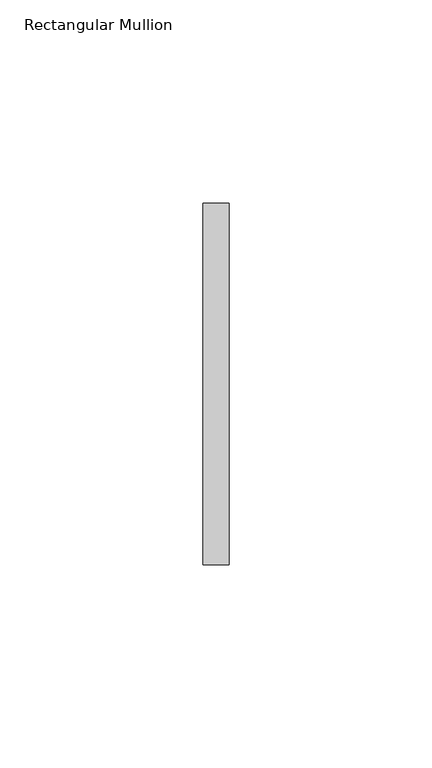
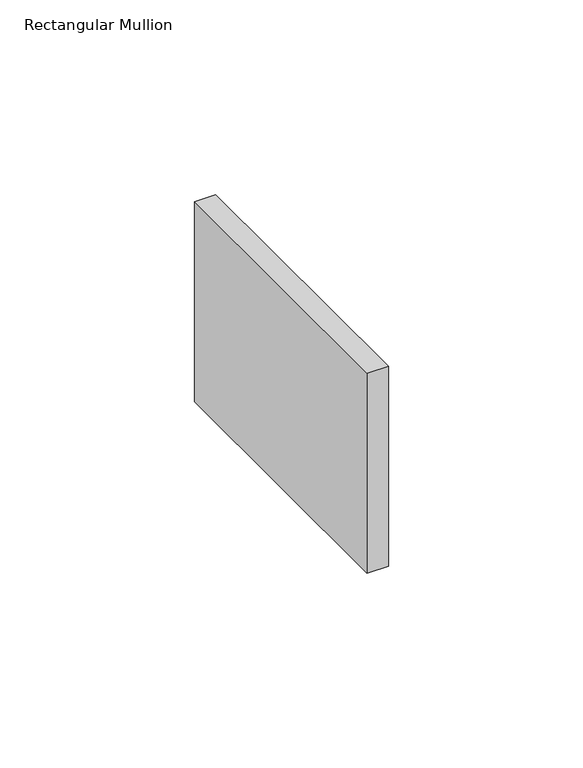
"""IFC4 building model written with IfcOpenShell, lengths in millimetres: member geometry, Rectangular Mullion."""

from ifc_helpers import new_model, si_unit, frame, origin, place, context, project, spatial, polyline, outline, extrude, source, transform, mapped, element, save


def rectangular_mullion_d262c1a4(model_context):
    return source(origin(), model_context, "Body", "SweptSolid", [
        extrude(outline(polyline([(0.0, 44.45), (0.0, -44.45), (-6.35, -44.45), (-6.35, 44.45), (0.0, 44.45)])), frame((0.0, 0.0, -62.77072), z_axis=(0.0, 0.0, 1.0), x_axis=(1.0, 0.0, 0.0)), (0.0, 0.0, 1.0), 62.77072),
    ])


if __name__ == "__main__":
    model = new_model("IFC4")
    model_context = context("Model", 3, world=origin())
    ifc_project = project(units=[si_unit("LENGTHUNIT", "METRE", prefix="MILLI")], contexts=[model_context])
    site = spatial("IfcSite", under=ifc_project)
    building = spatial("IfcBuilding", under=site)
    placement = place(None, origin())
    rectangular_mullion_shape = rectangular_mullion_d262c1a4(model_context)
    element("IfcMember", 1, ObjectType="Rectangular Mullion", at=placement, inside=building, context=model_context, shape_type="MappedRepresentation", body=[
        mapped(rectangular_mullion_shape, transform((0.0, 0.0, 0.0), x_axis=(1.0, 0.0, 0.0), y_axis=(0.0, 1.0, 0.0), z_axis=(0.0, 0.0, 1.0))),
    ])
    save(model, "model.ifc")
